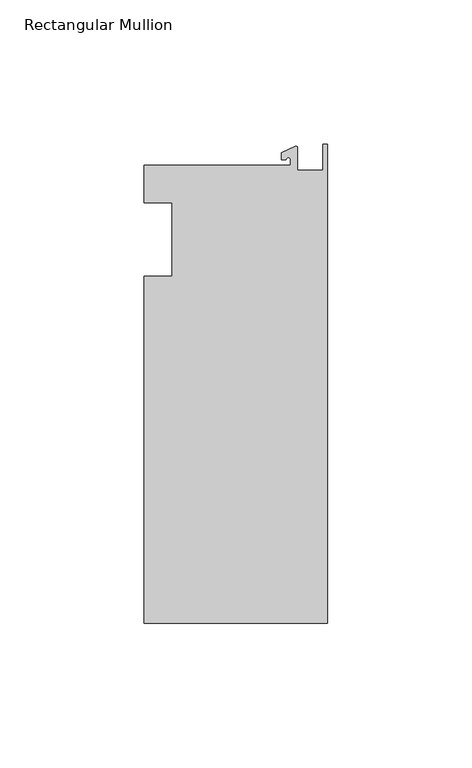
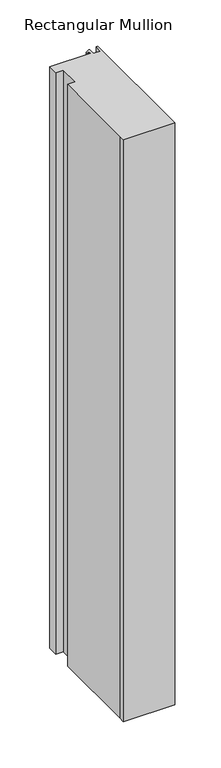
"""IFC4 building model written with IfcOpenShell, lengths in millimetres: member geometry, Rectangular Mullion."""

from ifc_helpers import new_model, si_unit, point, frame, frame_2d, origin, place, context, project, spatial, polyline, circle_curve, trimmed, segment, composite_curve, outline, extrude, source, transform, mapped, element, save


def rectangular_mullion_3f0781f0(model_context):
    return source(origin(), model_context, "Body", "SweptSolid", [
        extrude(outline(composite_curve([segment(polyline([(-12.8216721, 25.5984375), (-12.8216721, 27.5208534)]), True, "CONTINUOUS"), segment(trimmed(circle_curve(frame_2d((-13.6154221, 27.5208534)), 0.79375), [point((-12.8216721, 27.5208534))], [point((-14.4091721, 27.5208534))], True, "CARTESIAN"), True, "CONTINUOUS"), segment(polyline([(-14.4091721, 27.5208534), (-15.9966721, 27.5208534), (-15.9966721, 29.8830527), (-11.1567622, 32.1399398)]), True, "CONTINUOUS"), segment(trimmed(circle_curve(frame_2d((-10.9420721, 31.6795354)), 0.508), [point((-11.1567622, 32.1399398))], [point((-10.4340721, 31.6795354))], False, "CARTESIAN"), True, "CONTINUOUS"), segment(polyline([(-10.4340721, 31.6795354), (-10.4340721, 23.9227662), (-1.7144124, 23.9227662), (-1.5566453, 32.810012), (0.0, 32.810012), (0.0, -132.822512), (-63.5, -132.822512), (-63.5, -125.075512), (-63.5, -12.7), (-53.975, -12.7), (-53.975, 12.7), (-63.5, 12.7), (-63.5, 25.5984375), (-12.8216721, 25.5984375)]), True, "CONTINUOUS")], self_intersect=False)), frame((0.0, 0.0, -764.22885), z_axis=(0.0, 0.0, 1.0), x_axis=(1.0, 0.0, 0.0)), (0.0, 0.0, 1.0), 764.22885),
    ])


if __name__ == "__main__":
    model = new_model("IFC4")
    model_context = context("Model", 3, world=origin())
    ifc_project = project(units=[si_unit("LENGTHUNIT", "METRE", prefix="MILLI")], contexts=[model_context])
    site = spatial("IfcSite", under=ifc_project)
    building = spatial("IfcBuilding", under=site)
    placement = place(None, origin())
    rectangular_mullion_shape = rectangular_mullion_3f0781f0(model_context)
    element("IfcMember", 1, ObjectType="Rectangular Mullion", at=placement, inside=building, context=model_context, shape_type="MappedRepresentation", body=[
        mapped(rectangular_mullion_shape, transform((0.0, 0.0, 0.0), x_axis=(1.0, 0.0, 0.0), y_axis=(0.0, 1.0, 0.0), z_axis=(0.0, 0.0, 1.0))),
    ])
    save(model, "model.ifc")
